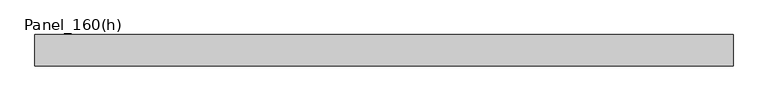
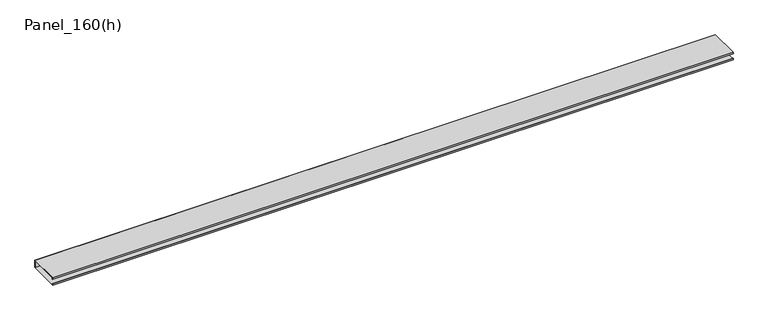
"""IFC4 building model written with IfcOpenShell, lengths in millimetres: plate geometry, Panel_160(h)."""

from ifc_helpers import new_model, si_unit, frame, origin, place, context, project, spatial, polyline, outline, extrude, source, transform, mapped, element, save


def panel_160_h_f8e0761e(model_context):
    return source(origin(), model_context, "Body", "SweptSolid", [
        extrude(outline(polyline([(1780.0000002, 160.0), (1780.0000002, 159.2), (-1780.0000002, 159.2), (-1780.0000002, 160.0), (1780.0000002, 160.0)])), frame((0.0, 0.0, 18.0), z_axis=(0.0, 0.0, 1.0), x_axis=(1.0, 0.0, 0.0)), (0.0, 0.0, 1.0), 34.0),
        extrude(outline(polyline([(0.0, 55.0), (160.0, 55.0), (160.0, 52.0), (159.2, 52.0), (159.2, 54.2), (0.8, 54.2), (0.8, 47.0), (0.0, 47.0), (0.0, 55.0)])), frame((-1780.0000002, 0.0, 0.0), z_axis=(1.0, 0.0, 0.0), x_axis=(0.0, 1.0, 0.0)), (0.0, 0.0, 1.0), 3560.0000003),
        extrude(outline(polyline([(0.0, 15.0), (0.0, 23.0), (0.8, 23.0), (0.8, 15.8), (159.2, 15.8), (159.2, 18.0), (160.0, 18.0), (160.0, 15.0), (0.0, 15.0)])), frame((-1780.0000002, 0.0, 0.0), z_axis=(1.0, 0.0, 0.0), x_axis=(0.0, 1.0, 0.0)), (0.0, 0.0, 1.0), 3560.0000003),
        extrude(outline(polyline([(1780.0000002, 159.2), (1780.0000002, 157.7), (-1780.0000002, 157.7), (-1780.0000002, 159.2), (1780.0000002, 159.2)])), frame((0.0, 0.0, 15.8), z_axis=(0.0, 0.0, 1.0), x_axis=(1.0, 0.0, 0.0)), (0.0, 0.0, 1.0), 38.4),
    ])


if __name__ == "__main__":
    model = new_model("IFC4")
    model_context = context("Model", 3, world=origin())
    ifc_project = project(units=[si_unit("LENGTHUNIT", "METRE", prefix="MILLI")], contexts=[model_context])
    site = spatial("IfcSite", under=ifc_project)
    building = spatial("IfcBuilding", under=site)
    placement = place(None, origin())
    panel_160_h_shape = panel_160_h_f8e0761e(model_context)
    element("IfcPlate", 1, ObjectType="Panel_160(h)", at=placement, inside=building, context=model_context, shape_type="MappedRepresentation", body=[
        mapped(panel_160_h_shape, transform((0.0, 0.0, 0.0), x_axis=(1.0, 0.0, 0.0), y_axis=(0.0, 1.0, 0.0), z_axis=(0.0, 0.0, 1.0))),
    ])
    save(model, "model.ifc")
